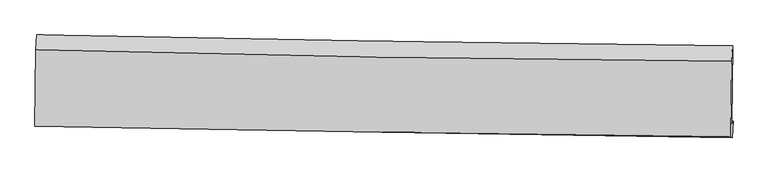
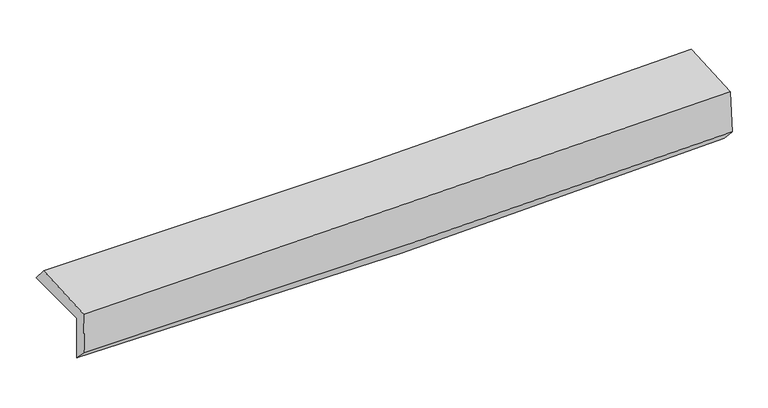
"""IFC4 building model written with IfcOpenShell, lengths in millimetres: proxy geometry."""

from ifc_helpers import new_model, si_unit, frame, origin, place, context, project, spatial, source, transform, mapped, element, save
from ifc_brep_helpers import plane_surface, spline_curve, spline_surface, advanced_brep


def generic_models_4245534c(model_context):
    return source(origin(), model_context, "Body", "AdvancedBrep", [
        advanced_brep(
        [(-3038.4520429, -1765.6639236, 1977.4864992), (-3029.3813694, -1093.9933736, 1970.9637657), (3023.2011546, -1188.42987, 2114.3515582), (3014.5073286, -1864.8842554, 2107.0465798), (-3025.1750445, -1747.7786088, 1567.6274536), (3027.8012453, -1846.5330815, 1696.8490197), (-3031.0532827, -1878.8012676, 1698.0340929), (3021.007352, -1988.3006889, 1851.5772005), (-3043.7998541, -1888.9682757, 2094.4235374), (3008.5123913, -1978.4700551, 2248.352312), (-3035.8200265, -1223.8517999, 2119.4663742), (3016.3791843, -1324.343252, 2272.3900229)],
        [
            (0, 1),
            (1, 2, spline_curve(3, [(-3029.3813694, -1093.9933736, 1970.9637657), (-2019.400530729, -1115.746780215, 1950.626597962), (-1009.972840393, -1134.493726062, 1952.410742352), (1007.554424524, -1165.971236509, 2000.216399803), (2015.654242055, -1178.703122518, 2046.228185955), (3023.2011546, -1188.42987, 2114.3515582)], [4, 2, 4], [0.0, 9.936542742131174, 19.870900756083202])),
            (2, 3),
            (3, 0, spline_curve(3, [(3014.5073286, -1864.8842554, 2107.0465798), (2006.784830251, -1851.815565046, 2045.827583394), (998.565812814, -1837.013958618, 2004.420420637), (-1019.087092496, -1803.94127717, 1961.225012196), (-2028.52119895, -1785.669439683, 1959.44548167), (-3038.4520429, -1765.6639236, 1977.4864992)], [4, 2, 4], [0.0, 9.934358013952028, 19.870900756083202])),
            (4, 0),
            (3, 5),
            (5, 4, spline_curve(3, [(3027.8012453, -1846.5330815, 1696.8490197), (2019.853684857, -1833.989096508, 1642.485785476), (1011.520714569, -1819.48868456, 1604.535083554), (-1006.137879277, -1786.571387312, 1561.454008649), (-2015.463672338, -1768.153641684, 1556.330855011), (-3025.1750445, -1747.7786088, 1567.6274536)], [4, 2, 4], [0.0, 9.933827194354068, 19.869839000151348])),
            (6, 4),
            (5, 7),
            (7, 6, spline_curve(3, [(3021.007352, -1988.3006889, 1851.5772005), (2012.698406415, -1968.331841944, 1811.651004508), (1004.26101147, -1949.223375623, 1778.893266024), (-1013.092476832, -1912.723189723, 1727.709077073), (-2022.008626859, -1895.331849276, 1709.285779652), (-3031.0532827, -1878.8012676, 1698.0340929)], [4, 2, 4], [0.0, 9.932551226086181, 19.867286783009234])),
            (8, 6),
            (7, 9),
            (9, 8, spline_curve(3, [(3008.5123913, -1978.4700551, 2248.352312), (1999.543210263, -1968.846057259, 2224.886122962), (990.7546985, -1956.576687539, 2200.327161052), (-1026.682796098, -1926.743924665, 2149.018050312), (-2035.331699474, -1909.179367835, 2122.267420536), (-3043.7998541, -1888.9682757, 2094.4235374)], [4, 2, 4], [0.0, 9.93162769125477, 19.865439510245963])),
            (10, 8),
            (9, 11),
            (11, 10, spline_curve(3, [(3016.3791843, -1324.343252, 2272.3900229), (2007.812335074, -1315.758762242, 2235.848035331), (999.234428747, -1303.093599071, 2204.834197728), (-1018.165303193, -1269.598243645, 2153.857216152), (-2026.987133956, -1248.766255754, 2133.896504614), (-3035.8200265, -1223.8517999, 2119.4663742)], [4, 2, 4], [0.0, 9.931639907221562, 19.86546394486604])),
            (1, 10),
            (11, 2),
        ],
        [
            spline_surface(3, 3, [[(-3038.4520429, -1765.6639236, 1977.4864992), (-2028.521199099, -1785.66943959, 1959.445481629), (-1019.087092558, -1803.94127707, 1961.225012224), (998.565812876, -1837.013958718, 2004.420420609), (2006.784830149, -1851.815565188, 2045.827583548), (3014.5073286, -1864.8842554, 2107.0465798)], [(-3035.428485064, -1541.773740271, 1975.312254705), (-2025.480976303, -1562.361886443, 1956.505853751), (-1016.049008487, -1580.792093447, 1958.286922306), (1001.562016734, -1613.333051291, 2003.019080336), (2009.741300786, -1627.444750974, 2045.961117755), (3017.4052706, -1639.399460284, 2109.481572625)], [(-3032.404927236, -1317.883556929, 1973.138010195), (-2022.440753515, -1339.054333283, 1953.566225857), (-1013.010924403, -1357.64290979, 1955.348832334), (1004.558220605, -1389.652143829, 2001.617740011), (2012.697771424, -1403.073936707, 2046.094651888), (3020.3032126, -1413.914665116, 2111.916565375)], [(-3029.3813694, -1093.9933736, 1970.9637657), (-2019.400530719, -1115.746780136, 1950.626597979), (-1009.972840331, -1134.493726168, 1952.410742416), (1007.554424463, -1165.971236403, 2000.216399738), (2015.654242062, -1178.703122494, 2046.228186096), (3023.2011546, -1188.42987, 2114.3515582)]], [4, 4], [4, 2, 4], [0.0, 2.199270620990217], [0.0, 9.936542742131174, 19.870900756083202]),
            spline_surface(3, 3, [[(-3025.1750445, -1747.7786088, 1567.6274536), (-2015.463672204, -1768.153641848, 1556.330855066), (-1006.137879216, -1786.571387449, 1561.454008627), (1011.520714508, -1819.488684422, 1604.535083576), (2019.853684803, -1833.989096385, 1642.485785344), (3027.8012453, -1846.5330815, 1696.8490197)], [(-3029.600710642, -1753.740380395, 1704.247135456), (-2019.816181178, -1773.992241091, 1690.702397243), (-1010.454283681, -1792.361350662, 1694.711009799), (1007.202413946, -1825.330442527, 1737.830195893), (2015.497399928, -1839.931252638, 1776.933051383), (3023.369939743, -1852.650139453, 1833.581539704)], [(-3034.026376758, -1759.702152005, 1840.866817344), (-2024.168690126, -1779.830840347, 1825.073939451), (-1014.770688093, -1798.151313857, 1827.968011052), (1002.884113438, -1831.172200613, 1871.125308292), (2011.141115024, -1845.873408934, 1911.380317509), (3018.938634157, -1858.767197447, 1970.314059796)], [(-3038.4520429, -1765.6639236, 1977.4864992), (-2028.521199099, -1785.66943959, 1959.445481629), (-1019.087092558, -1803.94127707, 1961.225012224), (998.565812876, -1837.013958718, 2004.420420609), (2006.784830149, -1851.815565188, 2045.827583548), (3014.5073286, -1864.8842554, 2107.0465798)]], [4, 4], [4, 2, 4], [0.0, 1.3137079813530188], [0.0, 9.93601180579728, 19.869839000151348]),
            spline_surface(3, 3, [[(-3031.0532827, -1878.8012676, 1698.0340929), (-2022.008626916, -1895.331849314, 1709.285779539), (-1013.092476884, -1912.723189887, 1727.709076987), (1004.261011521, -1949.223375459, 1778.89326611), (2012.698406374, -1968.331841972, 1811.651004555), (3021.007352, -1988.3006889, 1851.5772005)], [(-3029.093869961, -1835.127047998, 1654.565213122), (-2019.82697534, -1852.93911349, 1658.300804703), (-1010.77427765, -1870.672589075, 1672.290720866), (1006.680912528, -1905.978478447, 1720.773871931), (2015.083499173, -1923.550926769, 1755.262598171), (3023.27198309, -1941.044819759, 1800.001140253)], [(-3027.134457239, -1791.452828402, 1611.096333378), (-2017.645323781, -1810.546377672, 1607.315829902), (-1008.456078449, -1828.621988262, 1616.872364749), (1009.100813502, -1862.733581434, 1662.654477756), (2017.468592004, -1878.770011589, 1698.874191728), (3025.53661421, -1893.788950641, 1748.425079947)], [(-3025.1750445, -1747.7786088, 1567.6274536), (-2015.463672204, -1768.153641848, 1556.330855066), (-1006.137879216, -1786.571387449, 1561.454008627), (1011.520714508, -1819.488684422, 1604.535083576), (2019.853684803, -1833.989096385, 1642.485785344), (3027.8012453, -1846.5330815, 1696.8490197)]], [4, 4], [4, 2, 4], [0.0, 0.6992417964435005], [0.0, 9.934735556923053, 19.867286783009234]),
            spline_surface(3, 3, [[(-3043.7998541, -1888.9682757, 2094.4235374), (-2035.331699408, -1909.179367863, 2122.267420619), (-1026.682796107, -1926.743924697, 2149.018050261), (990.754698509, -1956.576687507, 2200.327161102), (1999.543210322, -1968.846057154, 2224.886122997), (3008.5123913, -1978.4700551, 2248.352312)], [(-3039.550996953, -1885.579272991, 1962.293722575), (-2030.890675231, -1904.563528338, 1984.606873601), (-1022.152689701, -1922.070346416, 2008.581725858), (995.256802844, -1954.12558348, 2059.849196127), (2003.928275684, -1968.6746521, 2087.141083514), (3012.677378212, -1981.746933039, 2116.093941497)], [(-3035.302139847, -1882.190270309, 1830.163907725), (-2026.449651094, -1899.947688839, 1846.946326557), (-1017.62258329, -1917.396768169, 1868.14540139), (999.758907186, -1951.674479486, 1919.371231086), (2008.313341012, -1968.503247027, 1949.396044038), (3016.842365088, -1985.023810961, 1983.835571003)], [(-3031.0532827, -1878.8012676, 1698.0340929), (-2022.008626916, -1895.331849314, 1709.285779539), (-1013.092476884, -1912.723189887, 1727.709076987), (1004.261011521, -1949.223375459, 1778.89326611), (2012.698406374, -1968.331841972, 1811.651004555), (3021.007352, -1988.3006889, 1851.5772005)]], [4, 4], [4, 2, 4], [0.0, 1.3836109726405943], [0.0, 9.933811818991193, 19.865439510245963]),
            spline_surface(3, 3, [[(-3035.8200265, -1223.8517999, 2119.4663742), (-2026.987133873, -1248.766255909, 2133.896504567), (-1018.165303265, -1269.598243502, 2153.857216287), (999.234428819, -1303.093599215, 2204.834197592), (2007.812335116, -1315.758762274, 2235.84803542), (3016.3791843, -1324.343252, 2272.3900229)], [(-3038.479969031, -1445.557291864, 2111.118761928), (-2029.768655716, -1468.903959925, 2130.020143245), (-1021.004467541, -1488.64680391, 2152.244160945), (996.407852054, -1520.921295322, 2203.331852096), (2005.055960181, -1533.454527233, 2232.194064595), (3013.756919963, -1542.385519699, 2264.377452583)], [(-3041.139911569, -1667.262783736, 2102.771149672), (-2032.550177565, -1689.041663847, 2126.143781941), (-1023.843631831, -1707.695364289, 2150.631105603), (993.581275274, -1738.7489914, 2201.829506599), (2002.299585256, -1751.150292195, 2228.540093822), (3011.134655637, -1760.427787401, 2256.364882317)], [(-3043.7998541, -1888.9682757, 2094.4235374), (-2035.331699408, -1909.179367863, 2122.267420619), (-1026.682796107, -1926.743924697, 2149.018050261), (990.754698509, -1956.576687507, 2200.327161102), (1999.543210322, -1968.846057154, 2224.886122997), (3008.5123913, -1978.4700551, 2248.352312)]], [4, 4], [4, 2, 4], [0.0, 2.1502183536611965], [0.0, 9.933824037644477, 19.86546394486604]),
            spline_surface(3, 3, [[(-3029.3813694, -1093.9933736, 1970.9637657), (-2019.400530719, -1115.746780136, 1950.626597979), (-1009.972840331, -1134.493726168, 1952.410742416), (1007.554424463, -1165.971236403, 2000.216399738), (2015.654242062, -1178.703122494, 2046.228186096), (3023.2011546, -1188.42987, 2114.3515582)], [(-3031.527588449, -1137.27951568, 2020.464635214), (-2021.929398452, -1160.086605374, 2011.716566855), (-1012.703661301, -1179.528565263, 2019.559567029), (1004.78109259, -1211.678690657, 2068.422332345), (2013.040273072, -1224.388335753, 2109.434802541), (3020.927164493, -1233.734330666, 2167.031046438)], [(-3033.673807451, -1180.56565782, 2069.965504686), (-2024.458266139, -1204.426430671, 2072.80653569), (-1015.434482296, -1224.563404407, 2086.708391674), (1002.007760692, -1257.38614496, 2136.628264985), (2010.426304105, -1270.073549014, 2172.641418974), (3018.653174407, -1279.038791334, 2219.710534662)], [(-3035.8200265, -1223.8517999, 2119.4663742), (-2026.987133873, -1248.766255909, 2133.896504567), (-1018.165303265, -1269.598243502, 2153.857216287), (999.234428819, -1303.093599215, 2204.834197592), (2007.812335116, -1315.758762274, 2235.84803542), (3016.3791843, -1324.343252, 2272.3900229)]], [4, 4], [4, 2, 4], [0.0, 0.8024110750244202], [0.0, 9.934991569106513, 19.867798751087257]),
            plane_surface(frame((3018.5681094, -1698.4935338, 2048.4277822), z_axis=(0.9994072648577434, -0.013187831703992424, 0.03179937176284236), x_axis=(0.03146604128914905, -0.02475647072232387, -0.9991981812448241))),
            plane_surface(frame((-3033.9469367, -1599.8428749, 1904.6669538), z_axis=(-0.9994072648577473, 0.01318783170362863, -0.03179937176287087), x_axis=(-0.013502778880256411, -0.9998616871632641, 0.00970986640186491))),
        ],
        [
            (0, [[1, 2, 3, 4]]),
            (1, [[5, -4, 6, 7]]),
            (2, [[8, -7, 9, 10]]),
            (3, [[11, -10, 12, 13]]),
            (4, [[14, -13, 15, 16]]),
            (5, [[17, -16, 18, -2]]),
            (6, [[-12, -9, -6, -3, -18, -15]]),
            (7, [[-1, -5, -8, -11, -14, -17]]),
        ],
    ),
    ])


if __name__ == "__main__":
    model = new_model("IFC4")
    model_context = context("Model", 3, world=origin())
    ifc_project = project(units=[si_unit("LENGTHUNIT", "METRE", prefix="MILLI")], contexts=[model_context])
    site = spatial("IfcSite", under=ifc_project)
    building = spatial("IfcBuilding", under=site)
    placement = place(None, origin())
    generic_models_shape = generic_models_4245534c(model_context)
    element("IfcBuildingElementProxy", 1, Name="Generic Models", at=placement, inside=building, context=model_context, shape_type="MappedRepresentation", body=[
        mapped(generic_models_shape, transform((0.0, 0.0, 0.0), x_axis=(1.0, 0.0, 0.0), y_axis=(0.0, 1.0, 0.0), z_axis=(0.0, 0.0, 1.0))),
    ])
    save(model, "model.ifc")
